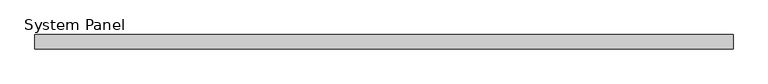
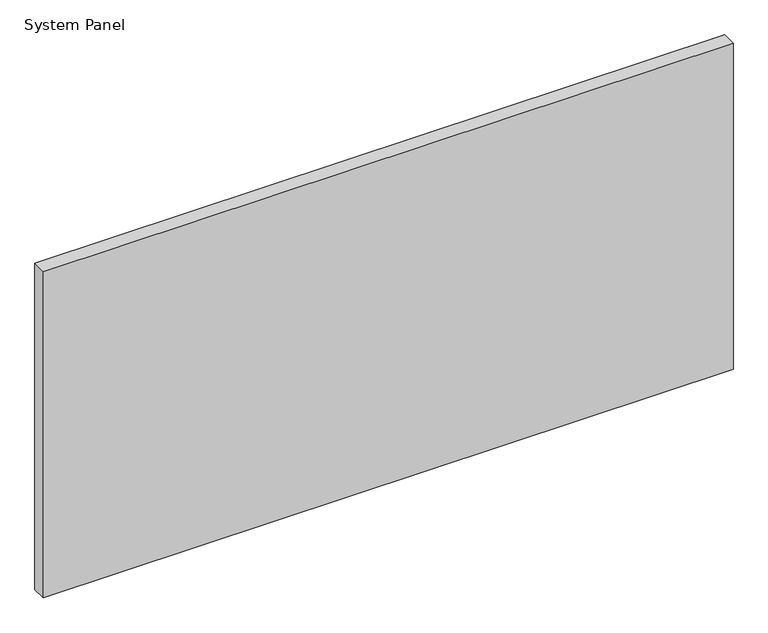
"""IFC4 building model written with IfcOpenShell, lengths in millimetres: plate geometry, System Panel."""

from ifc_helpers import new_model, si_unit, origin, origin_with_axes, place, context, project, spatial, polyline, outline, extrude, source, transform, mapped, element, save


def system_panel_d3f18fbf(model_context):
    return source(origin(), model_context, "Body", "SweptSolid", [
        extrude(outline(polyline([(609.6, 19.05), (-609.6, 19.05), (-609.6, 44.45), (609.6, 44.45), (609.6, 19.05)])), origin_with_axes(), (0.0, 0.0, 1.0), 609.6),
    ])


if __name__ == "__main__":
    model = new_model("IFC4")
    model_context = context("Model", 3, world=origin())
    ifc_project = project(units=[si_unit("LENGTHUNIT", "METRE", prefix="MILLI")], contexts=[model_context])
    site = spatial("IfcSite", under=ifc_project)
    building = spatial("IfcBuilding", under=site)
    placement = place(None, origin())
    system_panel_shape = system_panel_d3f18fbf(model_context)
    element("IfcPlate", 1, ObjectType="System Panel", at=placement, inside=building, context=model_context, shape_type="MappedRepresentation", body=[
        mapped(system_panel_shape, transform((0.0, 0.0, 0.0), x_axis=(1.0, 0.0, 0.0), y_axis=(0.0, 1.0, 0.0), z_axis=(0.0, 0.0, 1.0))),
    ])
    save(model, "model.ifc")
